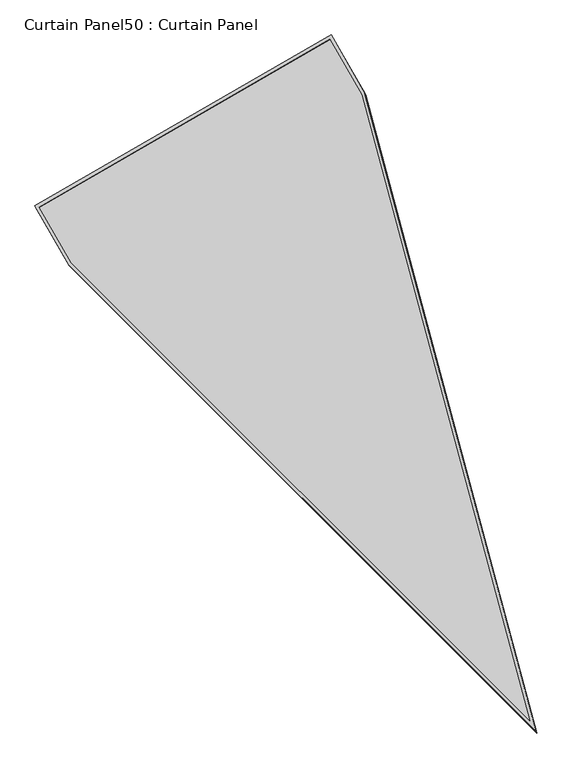
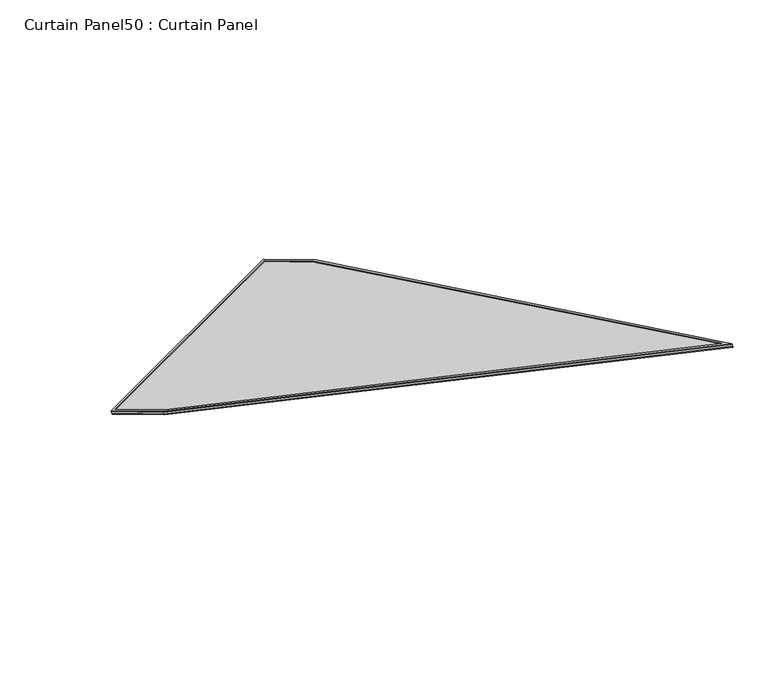
"""IFC4 building model written with IfcOpenShell, lengths in millimetres: plate geometry, Curtain Panel50 : Curtain Panel."""

from ifc_helpers import new_model, si_unit, frame, origin, place, context, project, spatial, polyline, outline, extrude, source, transform, mapped, element, save


def curtain_panel50_curtain_panel_8a4a9749(model_context):
    return source(origin(), model_context, "Body", "SweptSolid", [
        extrude(outline(polyline([(847.432027, -3687.3952716), (0.0, -353.7555361), (0.0, 0.0), (1694.8442516, 0.0), (1694.8442516, -353.833435), (847.432027, -3687.3952716)]), holes=[polyline([(1678.1741301, -16.6701216), (16.6701215, -16.6701216), (16.6701215, -351.6698784), (847.432027, -3619.732461), (1678.17413, -351.7477774), (1678.1741301, -16.6701216)])]), frame((9776.5635279, 3989.1231758, 1932.6225488), z_axis=(-0.1580729119869253, 0.273790314861725, 0.9487106081328971), x_axis=(0.8660254037844437, 0.4999999999999913, 0.0)), (0.0, 0.0, 1.0), 4.8780661),
        extrude(outline(polyline([(847.432027, -3687.3952716), (0.0, -353.7555361), (0.0, 0.0), (1694.8442516, 0.0), (1694.8442517, -353.8334351), (847.432027, -3687.3952716)]), holes=[polyline([(1684.5241301, -10.3201217), (10.3201216, -10.3201216), (10.3201216, -352.4643493), (847.4320271, -3645.506649), (1684.52413, -352.5422483), (1684.5241301, -10.3201217)])]), frame((9779.3425586, 3984.3097534, 1915.9435624), z_axis=(-0.15807291198690365, 0.2737903148616885, 0.9487106081329111), x_axis=(0.866025403784444, 0.4999999999999908, 0.0)), (0.0, 0.0, 1.0), 4.613255),
        extrude(outline(polyline([(12.7, 0.0), (1707.5442516, 0.0), (1707.5442515, -353.8334351), (860.1320269, -3687.3952716), (12.7, -353.7555361), (12.7, 0.0)])), frame((9767.6148054, 3979.2228179, 1920.3202063), z_axis=(-0.15807291198689918, 0.27379031486168054, 0.9487106081329142), x_axis=(0.8660254037844443, 0.49999999999999034, 0.0)), (0.0, 0.0, 1.0), 12.9674343),
    ])


if __name__ == "__main__":
    model = new_model("IFC4")
    model_context = context("Model", 3, world=origin())
    ifc_project = project(units=[si_unit("LENGTHUNIT", "METRE", prefix="MILLI")], contexts=[model_context])
    site = spatial("IfcSite", under=ifc_project)
    building = spatial("IfcBuilding", under=site)
    placement = place(None, origin())
    curtain_panel50_curtain_panel_shape = curtain_panel50_curtain_panel_8a4a9749(model_context)
    element("IfcPlate", 1, ObjectType="Curtain Panel50 : Curtain Panel", at=placement, inside=building, context=model_context, shape_type="MappedRepresentation", body=[
        mapped(curtain_panel50_curtain_panel_shape, transform((0.0, 0.0, 0.0), x_axis=(1.0, 0.0, 0.0), y_axis=(0.0, 1.0, 0.0), z_axis=(0.0, 0.0, 1.0))),
    ])
    save(model, "model.ifc")
